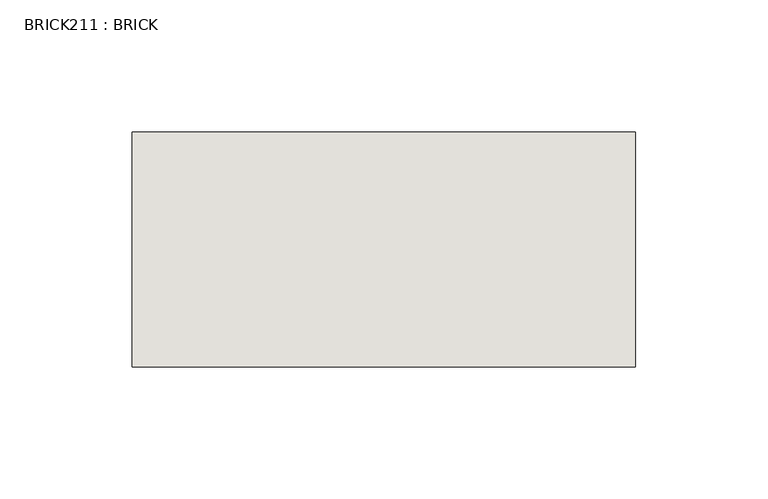
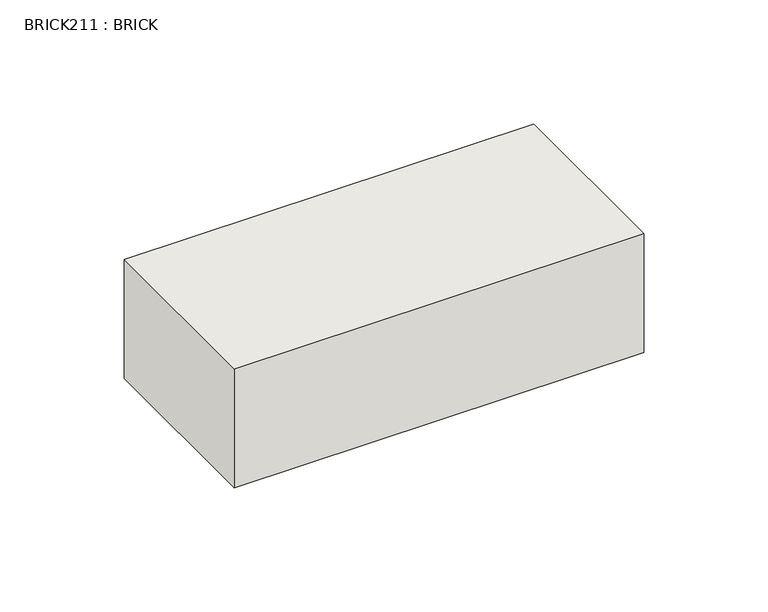
"""IFC4 building model written with IfcOpenShell, lengths in millimetres: wall geometry, BRICK211 : BRICK."""

from ifc_helpers import new_model, si_unit, frame, origin, place, context, project, spatial, polyline, outline, extrude, source, transform, mapped, element, save


def brick211_brick_1dc1cc8c(model_context):
    return source(origin(), model_context, "Body", "SweptSolid", [
        extrude(outline(polyline([(-1074.6574357, 3062.3923312), (-884.1574357, 3062.3923312), (-884.1574357, 2973.4923312), (-1074.6574357, 2973.4923312), (-1074.6574357, 3062.3923312)])), frame((0.0, 0.0, 143.8671875), z_axis=(0.0, 0.0, 1.0), x_axis=(1.0, 0.0, 0.0)), (0.0, 0.0, 1.0), 58.4398437),
    ])


if __name__ == "__main__":
    model = new_model("IFC4")
    model_context = context("Model", 3, world=origin())
    ifc_project = project(units=[si_unit("LENGTHUNIT", "METRE", prefix="MILLI")], contexts=[model_context])
    site = spatial("IfcSite", under=ifc_project)
    building = spatial("IfcBuilding", under=site)
    placement = place(None, origin())
    brick211_brick_shape = brick211_brick_1dc1cc8c(model_context)
    element("IfcWall", 1, ObjectType="BRICK211 : BRICK", at=placement, inside=building, context=model_context, shape_type="MappedRepresentation", body=[
        mapped(brick211_brick_shape, transform((0.0, 0.0, 0.0), x_axis=(1.0, 0.0, 0.0), y_axis=(0.0, 1.0, 0.0), z_axis=(0.0, 0.0, 1.0))),
    ])
    save(model, "model.ifc")
